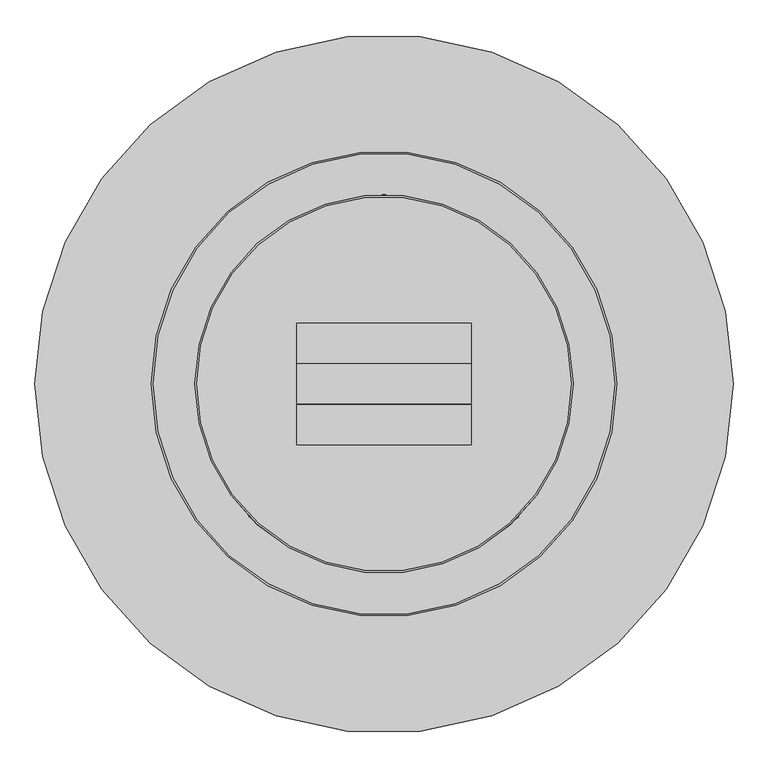
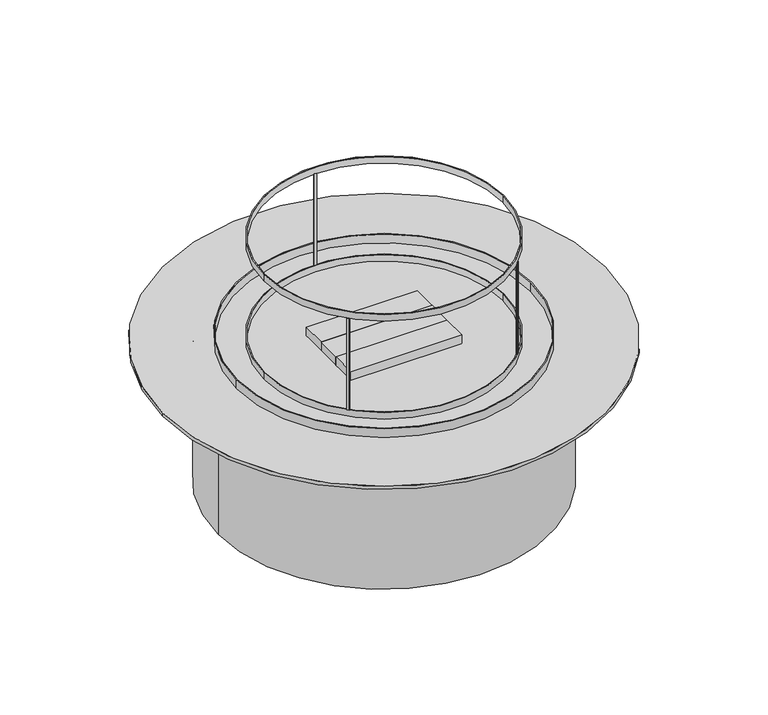
"""IFC4 building model written with IfcOpenShell, lengths in millimetres: proxy geometry."""

import ifcopenshell
import ifcopenshell.guid

model = None  # the IFC model being written
_history = None  # IfcOwnerHistory: only IFC2X3 demands one
_inside = {}  # id of a spatial element -> (the spatial element, [elements in it])
_under = {}  # id of a project, library or spatial element -> (it, [spatial elements below it])
_declared = {}  # id of a project -> (the project, [libraries it declares])
_typed = {}  # id of a type object -> (the type object, [elements of that type])
_made_of = {}  # id of a material, layer set ... -> (it, [elements and type objects made of it])


def new_model(schema):
    """Start an empty IFC model of exactly this schema.

    Asked for "IFC4X3", IfcOpenShell would pick the latest addendum, in which some entities
    have other attributes; the version numbers below select the first issue.
    IFC2X3 requires an IfcOwnerHistory on every rooted entity: one is made here for all.
    """
    global model, _history
    if schema == "IFC4X3":
        model = ifcopenshell.file(schema_version=(4, 3, 0, 0))
    else:
        model = ifcopenshell.file(schema=schema)
    _inside.clear()
    _under.clear()
    _declared.clear()
    _typed.clear()
    _made_of.clear()
    _history = None
    if model.schema == "IFC2X3":
        org = make("IfcOrganization", Name="unknown")
        user = make(
            "IfcPersonAndOrganization",
            ThePerson=make("IfcPerson", FamilyName="unknown"),
            TheOrganization=org,
        )
        app = make(
            "IfcApplication",
            ApplicationDeveloper=org,
            Version="unknown",
            ApplicationFullName="unknown",
            ApplicationIdentifier="unknown",
        )
        _history = make(
            "IfcOwnerHistory",
            OwningUser=user,
            OwningApplication=app,
            ChangeAction="ADDED",
            CreationDate=0,
        )
    return model


def make(cls, **values):
    """One entity of the class cls with the attributes given. An attribute that is None is left unset."""
    return model.create_entity(
        cls, **{name: value for name, value in values.items() if value is not None}
    )


def rooted(cls, **values):
    """An entity with a GlobalId (a new one), such as an element, a storey or a relation."""
    return make(cls, GlobalId=ifcopenshell.guid.new(), OwnerHistory=_history, **values)


def si_unit(unit_type, name, prefix=None):
    """IfcSIUnit, for example si_unit("LENGTHUNIT", "METRE", prefix="MILLI")."""
    return make("IfcSIUnit", UnitType=unit_type, Prefix=prefix, Name=name)


def assignment(units):
    """IfcUnitAssignment: the units of a project."""
    return None if units is None else make("IfcUnitAssignment", Units=units)


def point(xyz):
    """IfcCartesianPoint."""
    return None if xyz is None else make("IfcCartesianPoint", Coordinates=xyz)


def direction(xyz):
    """IfcDirection."""
    return None if xyz is None else make("IfcDirection", DirectionRatios=xyz)


def frame(location, z_axis=None, x_axis=None):
    """IfcAxis2Placement3D, a coordinate frame: its origin and axes. An axis left out is left unset."""
    return make(
        "IfcAxis2Placement3D",
        Location=point(location),
        Axis=direction(z_axis),
        RefDirection=direction(x_axis),
    )


def frame_2d(location, x_axis=None):
    """IfcAxis2Placement2D, a coordinate frame in the plane: its origin and x axis."""
    return make(
        "IfcAxis2Placement2D", Location=point(location), RefDirection=direction(x_axis)
    )


def origin():
    """The frame at (0, 0, 0) with its axes left unset."""
    return frame((0.0, 0.0, 0.0))


def origin_with_axes():
    """The frame at (0, 0, 0) with the z axis (0, 0, 1) and the x axis (1, 0, 0) written out."""
    return frame((0.0, 0.0, 0.0), z_axis=(0.0, 0.0, 1.0), x_axis=(1.0, 0.0, 0.0))


def origin_2d():
    """The frame at (0, 0) in the plane with its x axis left unset."""
    return frame_2d((0.0, 0.0))


def place(relative_to, where):
    """IfcLocalPlacement: puts the frame where relative to a parent placement (None: the world)."""
    return make(
        "IfcLocalPlacement", PlacementRelTo=relative_to, RelativePlacement=where
    )


def context(
    kind, dimensions, precision=None, world=None, true_north=None, identifier=None
):
    """IfcGeometricRepresentationContext, for example the 3D "Model" context."""
    return make(
        "IfcGeometricRepresentationContext",
        ContextIdentifier=identifier,
        ContextType=kind,
        CoordinateSpaceDimension=dimensions,
        Precision=precision,
        WorldCoordinateSystem=world,
        TrueNorth=true_north,
    )


def project(units=None, contexts=None):
    """IfcProject with its units and contexts."""
    return rooted(
        "IfcProject",
        Name="project",
        RepresentationContexts=contexts,
        UnitsInContext=assignment(units),
    )


def spatial(cls, under=None, at=None, **own):
    """A site, building, storey or space (cls), placed at a placement, below another one or the project."""
    s = rooted(cls, ObjectPlacement=at, **own)
    if under is not None:
        _under.setdefault(under.id(), (under, []))[1].append(s)
    return s


def polyline(points):
    """IfcPolyline through the points."""
    return make("IfcPolyline", Points=[point(p) for p in points])


def circle_curve(where, radius):
    """IfcCircle in the frame where."""
    return make("IfcCircle", Position=where, Radius=radius)


def trimmed(basis, trim1, trim2, sense, master):
    """IfcTrimmedCurve: the piece of a basis curve between two trims."""
    return make(
        "IfcTrimmedCurve",
        BasisCurve=basis,
        Trim1=trim1,
        Trim2=trim2,
        SenseAgreement=sense,
        MasterRepresentation=master,
    )


def segment(curve, same_sense, transition):
    """IfcCompositeCurveSegment."""
    return make(
        "IfcCompositeCurveSegment",
        Transition=transition,
        SameSense=same_sense,
        ParentCurve=curve,
    )


def composite_curve(segments, self_intersect=None):
    """IfcCompositeCurve: segments joined end to end."""
    return make("IfcCompositeCurve", Segments=segments, SelfIntersect=self_intersect)


def outline(outer, holes=None, kind="AREA"):
    """IfcArbitraryClosedProfileDef: a profile drawn as a closed curve; with holes, ...WithVoids."""
    if holes is None:
        return make("IfcArbitraryClosedProfileDef", ProfileType=kind, OuterCurve=outer)
    return make(
        "IfcArbitraryProfileDefWithVoids",
        ProfileType=kind,
        OuterCurve=outer,
        InnerCurves=holes,
    )


def extrude(swept, where, along, depth):
    """IfcExtrudedAreaSolid: the profile swept, set in the frame where, extruded along a direction by depth."""
    return make(
        "IfcExtrudedAreaSolid",
        SweptArea=swept,
        Position=where,
        ExtrudedDirection=direction(along),
        Depth=depth,
    )


def shape(context_of_items, identifier, shape_type, items):
    """IfcShapeRepresentation: the items that make up one representation, for example the "Body"."""
    return make(
        "IfcShapeRepresentation",
        ContextOfItems=context_of_items,
        RepresentationIdentifier=identifier,
        RepresentationType=shape_type,
        Items=items,
    )


def source(mapping_origin, context_of_items, identifier, shape_type, items):
    """IfcRepresentationMap: a shape defined once, which mapped items show again and again."""
    return make(
        "IfcRepresentationMap",
        MappingOrigin=mapping_origin,
        MappedRepresentation=shape(context_of_items, identifier, shape_type, items),
    )


def transform(
    local_origin,
    x_axis=None,
    y_axis=None,
    z_axis=None,
    scale=None,
    scale2=None,
    scale3=None,
    uniform=True,
):
    """IfcCartesianTransformationOperator3D, or its non-uniform kind. x_axis, y_axis, z_axis: its Axis1, 2, 3."""
    if uniform:
        return make(
            "IfcCartesianTransformationOperator3D",
            Axis1=direction(x_axis),
            Axis2=direction(y_axis),
            LocalOrigin=point(local_origin),
            Scale=scale,
            Axis3=direction(z_axis),
        )
    return make(
        "IfcCartesianTransformationOperator3DnonUniform",
        Axis1=direction(x_axis),
        Axis2=direction(y_axis),
        LocalOrigin=point(local_origin),
        Scale=scale,
        Axis3=direction(z_axis),
        Scale2=scale2,
        Scale3=scale3,
    )


def mapped(mapping_source, mapping_target):
    """IfcMappedItem: shows the shape of a source again, moved by a transform."""
    return make(
        "IfcMappedItem", MappingSource=mapping_source, MappingTarget=mapping_target
    )


def made_of(thing, what):
    """Note that an element or type object is made of a material, layer set ...; save() writes the relation."""
    if what is not None:
        _made_of.setdefault(what.id(), (what, []))[1].append(thing)
    return thing


def element(
    cls,
    number,
    at=None,
    inside=None,
    cuts=None,
    type_object=None,
    material=None,
    context=None,
    identifier="Body",
    shape_type=None,
    held_by="IfcProductDefinitionShape",
    body=None,
    shapes=None,
    **own,
):
    """One element of the class cls, such as IfcWall. Its Tag is "e" and its number.

    at: its placement. inside: the storey or other place that contains it. cuts: it is an
    opening in that element (IfcRelVoidsElement). A single representation is given by context,
    identifier, shape_type and body (its items); several are given by shapes. held_by: the class
    of the entity that holds the representations. save() writes the other relations.
    """
    e = rooted(cls, Tag="e%d" % number, ObjectPlacement=at, **own)
    if body is not None:
        shapes = [shape(context, identifier, shape_type, body)]
    if shapes is not None:
        e.Representation = make(held_by, Representations=shapes)
    if inside is not None:
        _inside.setdefault(inside.id(), (inside, []))[1].append(e)
    if cuts is not None:
        rooted(
            "IfcRelVoidsElement", RelatingBuildingElement=cuts, RelatedOpeningElement=e
        )
    if type_object is not None:
        _typed.setdefault(type_object.id(), (type_object, []))[1].append(e)
    return made_of(e, material)


def aggregate(whole, parts):
    """IfcRelAggregates: a whole, such as a stair, and the parts it consists of."""
    return rooted("IfcRelAggregates", RelatingObject=whole, RelatedObjects=parts)


def save(model, path):
    """Write the relations noted so far, then the file.

    IfcRelAggregates (storeys below a building ...), IfcRelContainedInSpatialStructure (elements
    in a storey), IfcRelDefinesByType, IfcRelAssociatesMaterial and IfcRelDeclares: one each for
    every whole, place, type object, material and project.
    """
    for whole, parts in _under.values():
        aggregate(whole, parts)
    for where, things in _inside.values():
        rooted(
            "IfcRelContainedInSpatialStructure",
            RelatedElements=things,
            RelatingStructure=where,
        )
    for kind, things in _typed.values():
        rooted("IfcRelDefinesByType", RelatedObjects=things, RelatingType=kind)
    for what, things in _made_of.values():
        rooted("IfcRelAssociatesMaterial", RelatedObjects=things, RelatingMaterial=what)
    for by, libraries in _declared.values():
        rooted("IfcRelDeclares", RelatingContext=by, RelatedDefinitions=libraries)
    model.write(path)


def generic_models_1b1dbd45(model_context):
    return source(origin(), model_context, "Body", "SweptSolid", [
        extrude(outline(composite_curve([segment(trimmed(circle_curve(origin_2d(), 330.2), [point((-3.175, 330.1847352))], [point((3.175, 330.1847352))], False, "CARTESIAN"), True, "CONTINUOUS"), segment(polyline([(3.175, 330.1847352), (3.175, 327.009587)]), True, "CONTINUOUS"), segment(trimmed(circle_curve(origin_2d(), 327.025), [point((3.175, 327.009587))], [point((-3.175, 327.009587))], True, "CARTESIAN"), True, "CONTINUOUS"), segment(polyline([(-3.175, 327.009587), (-3.175, 330.1847352)]), True, "CONTINUOUS")], self_intersect=False)), frame((0.0, 0.0, 425.45), z_axis=(0.0, 0.0, 1.0), x_axis=(1.0, 0.0, 0.0)), (0.0, 0.0, 1.0), 266.7),
        extrude(outline(composite_curve([segment(trimmed(circle_curve(origin_2d(), 330.2), [point((-231.2308013, -235.7209294))], [point((-235.7209294, -231.2308013))], False, "CARTESIAN"), True, "CONTINUOUS"), segment(polyline([(-235.7209294, -231.2308013), (-233.4757605, -228.9856325)]), True, "CONTINUOUS"), segment(trimmed(circle_curve(origin_2d(), 327.025), [point((-233.4757605, -228.9856325))], [point((-228.9856325, -233.4757605))], True, "CARTESIAN"), True, "CONTINUOUS"), segment(polyline([(-228.9856325, -233.4757605), (-231.2308013, -235.7209294)]), True, "CONTINUOUS")], self_intersect=False)), frame((0.0, 0.0, 425.45), z_axis=(0.0, 0.0, 1.0), x_axis=(1.0, 0.0, 0.0)), (0.0, 0.0, 1.0), 266.7),
        extrude(outline(composite_curve([segment(trimmed(circle_curve(origin_2d(), 330.2), [point((235.7209294, -231.2308013))], [point((234.1094289, -232.8622239))], False, "CARTESIAN"), True, "CONTINUOUS"), segment(trimmed(circle_curve(origin_2d(), 330.2), [point((234.1094289, -232.8622239))], [point((231.2308013, -235.7209294))], False, "CARTESIAN"), True, "CONTINUOUS"), segment(polyline([(231.2308013, -235.7209294), (228.9856325, -233.4757605)]), True, "CONTINUOUS"), segment(trimmed(circle_curve(origin_2d(), 327.025), [point((228.9856325, -233.4757605))], [point((231.2415951, -231.2415951))], True, "CARTESIAN"), True, "CONTINUOUS"), segment(trimmed(circle_curve(origin_2d(), 327.025), [point((231.2415951, -231.2415951))], [point((233.4757605, -228.9856325))], True, "CARTESIAN"), True, "CONTINUOUS"), segment(polyline([(233.4757605, -228.9856325), (235.7209294, -231.2308013)]), True, "CONTINUOUS")], self_intersect=False)), frame((0.0, 0.0, 425.45), z_axis=(0.0, 0.0, 1.0), x_axis=(1.0, 0.0, 0.0)), (0.0, 0.0, 1.0), 266.7),
        extrude(outline(composite_curve([segment(trimmed(circle_curve(origin_2d(), 330.2), [point((-330.2, 0.0))], [point((330.2, 0.0))], False, "CARTESIAN"), True, "CONTINUOUS"), segment(trimmed(circle_curve(origin_2d(), 330.2), [point((330.2, 0.0))], [point((-330.2, 0.0))], False, "CARTESIAN"), True, "CONTINUOUS")], self_intersect=False), holes=[composite_curve([segment(trimmed(circle_curve(origin_2d(), 327.025), [point((-327.025, 0.0))], [point((327.025, 0.0))], True, "CARTESIAN"), True, "CONTINUOUS"), segment(trimmed(circle_curve(origin_2d(), 327.025), [point((327.025, 0.0))], [point((-327.025, 0.0))], True, "CARTESIAN"), True, "CONTINUOUS")], self_intersect=False)]), frame((0.0, 0.0, 692.15), z_axis=(0.0, 0.0, 1.0), x_axis=(1.0, 0.0, 0.0)), (0.0, 0.0, 1.0), 19.05),
        extrude(outline(composite_curve([segment(trimmed(circle_curve(origin_2d(), 330.2), [point((-330.2, 0.0))], [point((330.2, 0.0))], False, "CARTESIAN"), True, "CONTINUOUS"), segment(trimmed(circle_curve(origin_2d(), 330.2), [point((330.2, 0.0))], [point((-330.2, 0.0))], False, "CARTESIAN"), True, "CONTINUOUS")], self_intersect=False), holes=[composite_curve([segment(trimmed(circle_curve(origin_2d(), 327.025), [point((-327.025, 0.0))], [point((327.025, 0.0))], True, "CARTESIAN"), True, "CONTINUOUS"), segment(trimmed(circle_curve(origin_2d(), 327.025), [point((327.025, 0.0))], [point((-327.025, 0.0))], True, "CARTESIAN"), True, "CONTINUOUS")], self_intersect=False)]), frame((0.0, 0.0, 406.4), z_axis=(0.0, 0.0, 1.0), x_axis=(1.0, 0.0, 0.0)), (0.0, 0.0, 1.0), 19.05),
        extrude(outline(polyline([(-152.4, -36.449), (152.4, -36.449), (152.4, -106.299), (-152.4, -106.299), (-152.4, -36.449)])), frame((0.0, 0.0, 406.4), z_axis=(0.0, 0.0, 1.0), x_axis=(1.0, 0.0, 0.0)), (0.0, 0.0, 1.0), 25.4),
        extrude(outline(composite_curve([segment(trimmed(circle_curve(origin_2d(), 406.4), [point((-406.4, 0.0))], [point((406.4, 0.0))], False, "CARTESIAN"), True, "CONTINUOUS"), segment(trimmed(circle_curve(origin_2d(), 406.4), [point((406.4, 0.0))], [point((-406.4, 0.0))], False, "CARTESIAN"), True, "CONTINUOUS")], self_intersect=False), holes=[composite_curve([segment(trimmed(circle_curve(origin_2d(), 403.225), [point((-403.225, 0.0))], [point((403.225, 0.0))], True, "CARTESIAN"), True, "CONTINUOUS"), segment(trimmed(circle_curve(origin_2d(), 403.225), [point((403.225, 0.0))], [point((-403.225, 0.0))], True, "CARTESIAN"), True, "CONTINUOUS")], self_intersect=False)]), frame((0.0, 0.0, 406.4), z_axis=(0.0, 0.0, 1.0), x_axis=(1.0, 0.0, 0.0)), (0.0, 0.0, 1.0), 25.4),
        extrude(outline(composite_curve([segment(trimmed(circle_curve(origin_2d(), 609.6), [point((-609.6, 0.0))], [point((609.6, 0.0))], False, "CARTESIAN"), True, "CONTINUOUS"), segment(trimmed(circle_curve(origin_2d(), 609.6), [point((609.6, 0.0))], [point((-609.6, 0.0))], False, "CARTESIAN"), True, "CONTINUOUS")], self_intersect=False)), frame((0.0, 0.0, 396.875), z_axis=(0.0, 0.0, 1.0), x_axis=(1.0, 0.0, 0.0)), (0.0, 0.0, 1.0), 9.525),
        extrude(outline(polyline([(-152.4, 36.449), (-152.4, 106.299), (152.4, 106.299), (152.4, 36.449), (-152.4, 36.449)])), frame((0.0, 0.0, 406.4), z_axis=(0.0, 0.0, 1.0), x_axis=(1.0, 0.0, 0.0)), (0.0, 0.0, 1.0), 25.4),
        extrude(outline(polyline([(-152.4, 34.925), (152.4, 34.925), (152.4, -34.925), (-152.4, -34.925), (-152.4, 34.925)])), frame((0.0, 0.0, 406.4), z_axis=(0.0, 0.0, 1.0), x_axis=(1.0, 0.0, 0.0)), (0.0, 0.0, 1.0), 25.4),
        extrude(outline(composite_curve([segment(trimmed(circle_curve(origin_2d(), 457.2), [point((-457.2, 0.0))], [point((457.2, 0.0))], False, "CARTESIAN"), True, "CONTINUOUS"), segment(trimmed(circle_curve(origin_2d(), 457.2), [point((457.2, 0.0))], [point((-457.2, 0.0))], False, "CARTESIAN"), True, "CONTINUOUS")], self_intersect=False)), origin_with_axes(), (0.0, 0.0, 1.0), 396.875),
    ])


if __name__ == "__main__":
    model = new_model("IFC4")
    model_context = context("Model", 3, world=origin())
    ifc_project = project(units=[si_unit("LENGTHUNIT", "METRE", prefix="MILLI")], contexts=[model_context])
    site = spatial("IfcSite", under=ifc_project)
    building = spatial("IfcBuilding", under=site)
    placement = place(None, origin())
    generic_models_shape = generic_models_1b1dbd45(model_context)
    element("IfcBuildingElementProxy", 1, Name="Generic Models", at=placement, inside=building, context=model_context, shape_type="MappedRepresentation", body=[
        mapped(generic_models_shape, transform((0.0, 0.0, 0.0), x_axis=(1.0, 0.0, 0.0), y_axis=(0.0, 1.0, 0.0), z_axis=(0.0, 0.0, 1.0))),
    ])
    save(model, "model.ifc")
